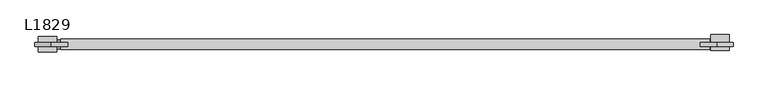
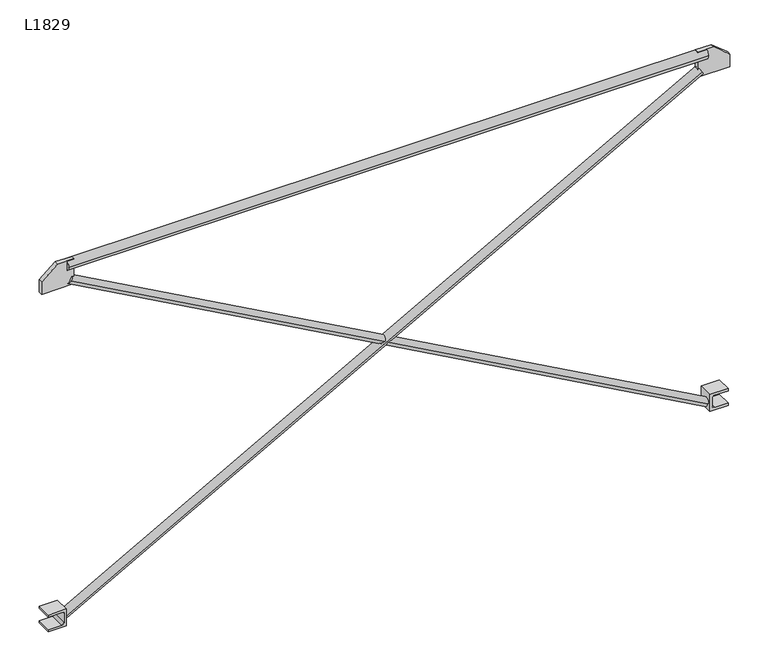
"""IFC4 building model written with IfcOpenShell, lengths in millimetres: proxy geometry, L1829."""

from ifc_helpers import new_model, si_unit, point, frame, frame_2d, origin, place, context, project, spatial, polyline, circle_curve, trimmed, segment, composite_curve, outline, extrude, source, transform, mapped, element, save


def l1829_b64a5b75(model_context):
    return source(origin(), model_context, "Body", "SweptSolid", [
        extrude(outline(polyline([(0.0, 97.948117), (69.6, 97.948117), (69.6, 55.848117), (34.8, 13.748117), (0.0, 13.748117), (0.0, 97.948117)])), frame((0.0, -5.0, 0.0), z_axis=(0.0, 1.0, 0.0), x_axis=(0.0, 0.0, 1.0)), (0.0, 0.0, 1.0), 10.0),
        extrude(outline(composite_curve([segment(polyline([(-925.0, 22.28005), (-925.0, 69.8), (-879.0, 69.8), (-879.0, 22.28005), (-885.0, 22.28005), (-885.0, 60.8)]), True, "CONTINUOUS"), segment(trimmed(circle_curve(frame_2d((-888.0, 60.8)), 3.0), [point((-885.0, 60.8))], [point((-888.0, 63.8))], True, "CARTESIAN"), True, "CONTINUOUS"), segment(polyline([(-888.0, 63.8), (-913.0, 63.8)]), True, "CONTINUOUS"), segment(trimmed(circle_curve(frame_2d((-913.0, 57.8)), 6.0), [point((-913.0, 63.8))], [point((-919.0, 57.8))], True, "CARTESIAN"), True, "CONTINUOUS"), segment(polyline([(-919.0, 57.8), (-919.0, 22.28005), (-925.0, 22.28005)]), True, "CONTINUOUS")], self_intersect=False)), frame((0.0, -20.0, 0.0), z_axis=(0.0, 1.0, 0.0), x_axis=(0.0, 0.0, 1.0)), (0.0, 0.0, 1.0), 40.0),
        extrude(outline(polyline([(0.0, 1725.25424), (0.0, 1809.45424), (34.8, 1809.45424), (69.6, 1767.35424), (69.6, 1725.25424), (0.0, 1725.25424)])), frame((0.0, -5.0, 0.0), z_axis=(0.0, 1.0, 0.0), x_axis=(0.0, 0.0, 1.0)), (0.0, 0.0, 1.0), 10.0),
        extrude(outline(composite_curve([segment(polyline([(-925.0, 1799.421064), (-919.0, 1799.421064), (-919.0, 1763.901114)]), True, "CONTINUOUS"), segment(trimmed(circle_curve(frame_2d((-913.0, 1763.901114)), 6.0), [point((-919.0, 1763.901114))], [point((-913.0, 1757.901114))], True, "CARTESIAN"), True, "CONTINUOUS"), segment(polyline([(-913.0, 1757.901114), (-888.0, 1757.901114)]), True, "CONTINUOUS"), segment(trimmed(circle_curve(frame_2d((-888.0, 1760.901114)), 3.0), [point((-888.0, 1757.901114))], [point((-885.0, 1760.901114))], True, "CARTESIAN"), True, "CONTINUOUS"), segment(polyline([(-885.0, 1760.901114), (-885.0, 1799.421064), (-879.0, 1799.421064), (-879.0, 1751.901114), (-925.0, 1751.901114), (-925.0, 1799.421064)]), True, "CONTINUOUS")], self_intersect=False)), frame((0.0, -15.0, 0.0), z_axis=(0.0, 1.0, 0.0), x_axis=(0.0, 0.0, 1.0)), (0.0, 0.0, 1.0), 40.0),
        extrude(outline(composite_curve([segment(trimmed(circle_curve(frame_2d((0.0, -11.5415409)), 11.541541), [point((0.0, -23.0830819))], [point((0.0, 0.0))], False, "CARTESIAN"), True, "CONTINUOUS"), segment(trimmed(circle_curve(frame_2d((0.0, -11.5415409)), 11.541541), [point((0.0, 0.0))], [point((0.0, -23.0830819))], False, "CARTESIAN"), True, "CONTINUOUS")], self_intersect=False)), frame((72.9278898, -11.8584525, -906.0692823), z_axis=(0.8745543591781318, 0.0, 0.48492749235584404), x_axis=(-0.48492749235584404, 0.0, 0.8745543591781318)), (0.0, 0.0, 1.0), 1899.2530111),
        extrude(outline(composite_curve([segment(trimmed(circle_curve(frame_2d((0.0, -11.3)), 11.3), [point((0.0, -22.6))], [point((0.0, 0.0))], False, "CARTESIAN"), True, "CONTINUOUS"), segment(trimmed(circle_curve(frame_2d((0.0, -11.3)), 11.3), [point((0.0, 0.0))], [point((0.0, -22.6))], False, "CARTESIAN"), True, "CONTINUOUS")], self_intersect=False)), frame((1748.9729757, -11.3, -906.6744), z_axis=(-0.8745543591781306, 0.0, 0.4849274923558463), x_axis=(-0.4849274923558463, 0.0, -0.8745543591781306)), (0.0, 0.0, 1.0), 1899.2530111),
        extrude(outline(composite_curve([segment(trimmed(circle_curve(frame_2d((0.0, 56.0)), 13.6), [point((-13.6, 56.0))], [point((13.6, 56.0))], False, "CARTESIAN"), True, "CONTINUOUS"), segment(trimmed(circle_curve(frame_2d((0.0, 56.0)), 13.6), [point((13.6, 56.0))], [point((-13.6, 56.0))], False, "CARTESIAN"), True, "CONTINUOUS")], self_intersect=False)), frame((80.0, 0.0, 0.0), z_axis=(1.0, 0.0, 0.0), x_axis=(0.0, 1.0, 0.0)), (0.0, 0.0, 1.0), 1669.0),
    ])


if __name__ == "__main__":
    model = new_model("IFC4")
    model_context = context("Model", 3, world=origin())
    ifc_project = project(units=[si_unit("LENGTHUNIT", "METRE", prefix="MILLI")], contexts=[model_context])
    site = spatial("IfcSite", under=ifc_project)
    building = spatial("IfcBuilding", under=site)
    placement = place(None, origin())
    l1829_shape = l1829_b64a5b75(model_context)
    element("IfcBuildingElementProxy", 1, Name="L1829", ObjectType="L1829", at=placement, inside=building, context=model_context, shape_type="MappedRepresentation", body=[
        mapped(l1829_shape, transform((0.0, 0.0, 0.0), x_axis=(1.0, 0.0, 0.0), y_axis=(0.0, 1.0, 0.0), z_axis=(0.0, 0.0, 1.0))),
    ])
    save(model, "model.ifc")
